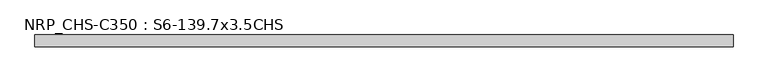
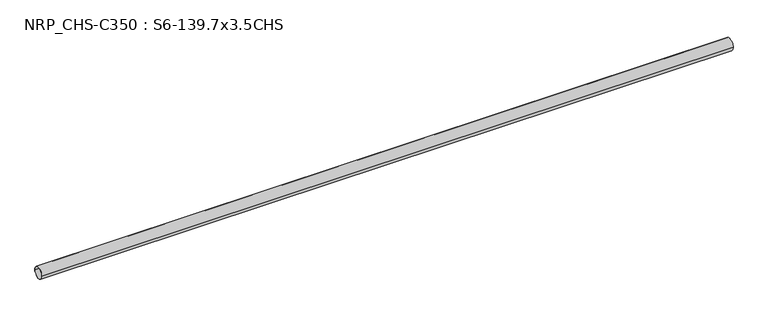
"""IFC4 building model written with IfcOpenShell, lengths in millimetres: beam geometry, NRP_CHS-C350 : S6-139.7x3.5CHS."""

from ifc_helpers import new_model, si_unit, point, frame, origin, origin_2d, place, context, project, spatial, circle_curve, trimmed, segment, composite_curve, outline, extrude, source, transform, mapped, element, save


def nrp_chs_c350_s6_139_7x3_5chs_b8ba81cd(model_context):
    return source(origin(), model_context, "Body", "SweptSolid", [
        extrude(outline(composite_curve([segment(trimmed(circle_curve(origin_2d(), 69.85), [point((69.85, 0.0))], [point((-69.85, 0.0))], False, "CARTESIAN"), True, "CONTINUOUS"), segment(trimmed(circle_curve(origin_2d(), 69.85), [point((-69.85, 0.0))], [point((69.85, 0.0))], False, "CARTESIAN"), True, "CONTINUOUS")], self_intersect=False), holes=[composite_curve([segment(trimmed(circle_curve(origin_2d(), 66.35), [point((-66.35, 0.0))], [point((66.35, 0.0))], True, "CARTESIAN"), True, "CONTINUOUS"), segment(trimmed(circle_curve(origin_2d(), 66.35), [point((66.35, 0.0))], [point((-66.35, 0.0))], True, "CARTESIAN"), True, "CONTINUOUS")], self_intersect=False)]), frame((-4131.85, 0.0, 0.0), z_axis=(1.0, 0.0, 0.0), x_axis=(0.0, 1.0, 0.0)), (0.0, 0.0, 1.0), 8106.1),
    ])


if __name__ == "__main__":
    model = new_model("IFC4")
    model_context = context("Model", 3, world=origin())
    ifc_project = project(units=[si_unit("LENGTHUNIT", "METRE", prefix="MILLI")], contexts=[model_context])
    site = spatial("IfcSite", under=ifc_project)
    building = spatial("IfcBuilding", under=site)
    placement = place(None, origin())
    nrp_chs_c350_s6_139_7x3_5chs_shape = nrp_chs_c350_s6_139_7x3_5chs_b8ba81cd(model_context)
    element("IfcBeam", 1, ObjectType="NRP_CHS-C350 : S6-139.7x3.5CHS", at=placement, inside=building, context=model_context, shape_type="MappedRepresentation", body=[
        mapped(nrp_chs_c350_s6_139_7x3_5chs_shape, transform((0.0, 0.0, 0.0), x_axis=(1.0, 0.0, 0.0), y_axis=(0.0, 1.0, 0.0), z_axis=(0.0, 0.0, 1.0))),
    ])
    save(model, "model.ifc")
